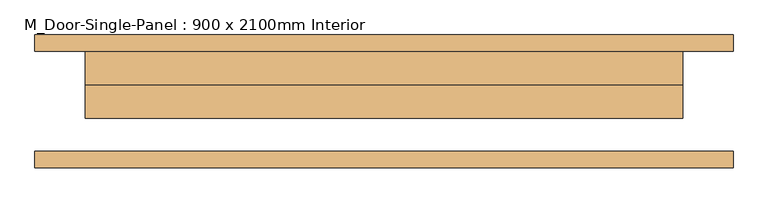
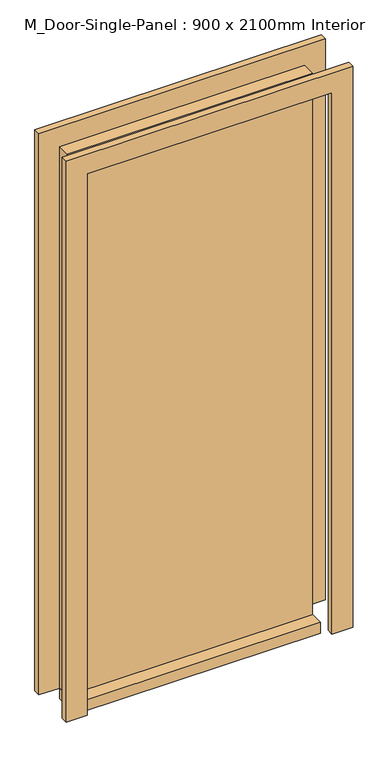
"""IFC4 building model written with IfcOpenShell, lengths in millimetres: door geometry, M_Door-Single-Panel : 900 x 2100mm Interior."""

from ifc_helpers import new_model, si_unit, frame, origin, origin_with_axes, place, context, project, spatial, polyline, outline, extrude, source, transform, mapped, element, save


def m_door_single_panel_900_x_2100mm_interior_f042fe60(model_context):
    return source(origin(), model_context, "Body", "SweptSolid", [
        extrude(outline(polyline([(450.0, 25.0), (-450.0, 25.0), (-450.0, 75.0), (450.0, 75.0), (450.0, 25.0)])), origin_with_axes(), (0.0, 0.0, 1.0), 2100.0),
        extrude(outline(polyline([(2176.2, -526.2), (0.0, -526.2), (0.0, -450.0), (2100.0, -450.0), (2100.0, 450.0), (0.0, 450.0), (0.0, 526.2), (2176.2, 526.2), (2176.2, -526.2)])), frame((0.0, 75.0, 0.0), z_axis=(0.0, 1.0, 0.0), x_axis=(0.0, 0.0, 1.0)), (0.0, 0.0, 1.0), 25.0),
        extrude(outline(polyline([(2176.2, 526.2), (2176.2, -526.2), (0.0, -526.2), (0.0, -450.0), (2100.0, -450.0), (2100.0, 450.0), (0.0, 450.0), (0.0, 526.2), (2176.2, 526.2)])), frame((0.0, -100.0, 0.0), z_axis=(0.0, 1.0, 0.0), x_axis=(0.0, 0.0, 1.0)), (0.0, 0.0, 1.0), 25.0),
        extrude(outline(polyline([(450.0, 75.0), (450.0, -25.0), (-450.0, -25.0), (-450.0, 75.0), (450.0, 75.0)])), frame((0.0, 0.0, -42.0), z_axis=(0.0, 0.0, 1.0), x_axis=(1.0, 0.0, 0.0)), (0.0, 0.0, 1.0), 42.0),
    ])


if __name__ == "__main__":
    model = new_model("IFC4")
    model_context = context("Model", 3, world=origin())
    ifc_project = project(units=[si_unit("LENGTHUNIT", "METRE", prefix="MILLI")], contexts=[model_context])
    site = spatial("IfcSite", under=ifc_project)
    building = spatial("IfcBuilding", under=site)
    placement = place(None, origin())
    m_door_single_panel_900_x_2100mm_interior_shape = m_door_single_panel_900_x_2100mm_interior_f042fe60(model_context)
    element("IfcDoor", 1, ObjectType="M_Door-Single-Panel : 900 x 2100mm Interior", at=placement, inside=building, context=model_context, shape_type="MappedRepresentation", body=[
        mapped(m_door_single_panel_900_x_2100mm_interior_shape, transform((0.0, 0.0, 0.0), x_axis=(1.0, 0.0, 0.0), y_axis=(0.0, 1.0, 0.0), z_axis=(0.0, 0.0, 1.0))),
    ])
    save(model, "model.ifc")
